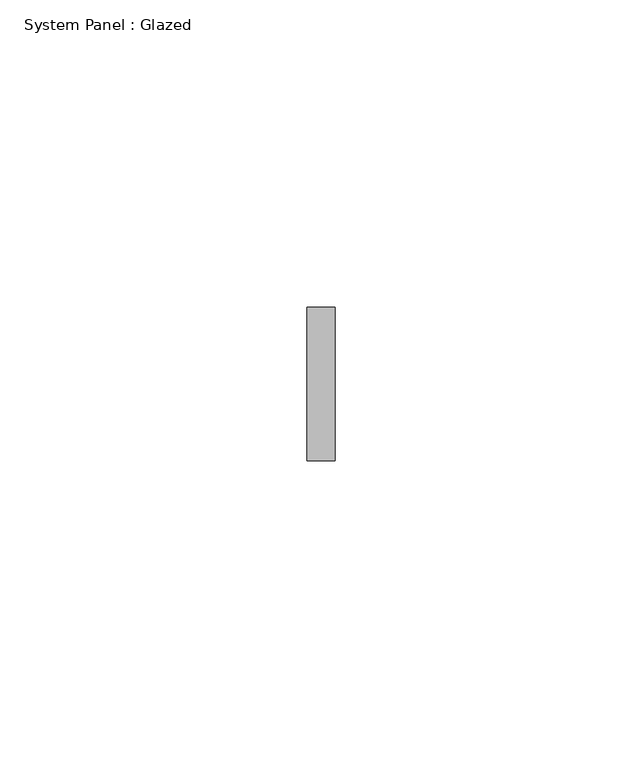
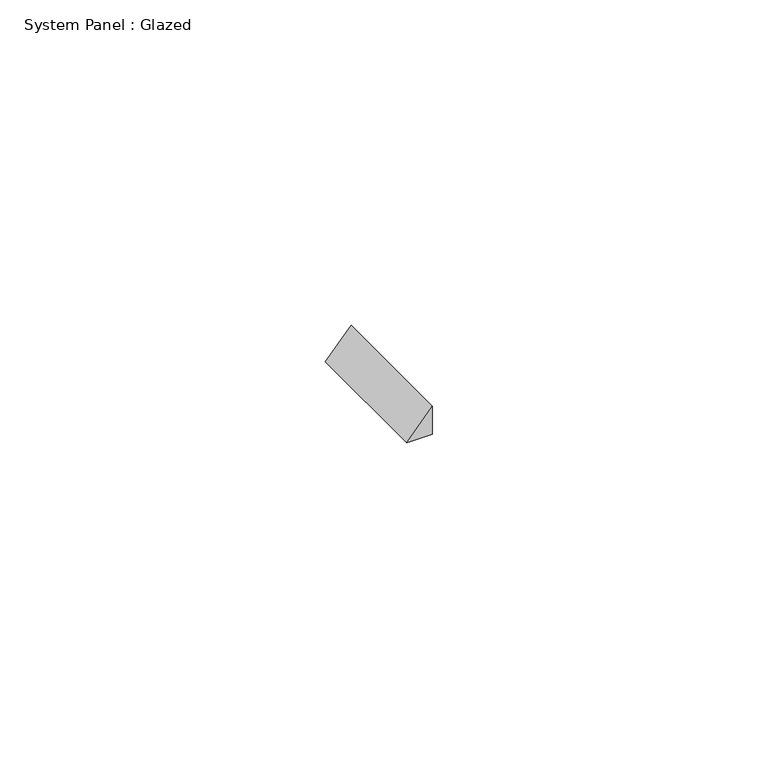
"""IFC4 building model written with IfcOpenShell, lengths in millimetres: plate geometry, System Panel : Glazed."""

from ifc_helpers import new_model, si_unit, frame, origin, place, context, project, spatial, polyline, outline, extrude, source, transform, mapped, element, save


def system_panel_glazed_df6254a5(model_context):
    return source(origin(), model_context, "Body", "SweptSolid", [
        extrude(outline(polyline([(0.0, -2.2821608), (0.0, 2.2821608), (5.2704246, 2.2821608), (0.0, -2.2821608)])), frame((0.0, 24.5, 0.0), z_axis=(0.0, 1.0, 0.0), x_axis=(0.0, 0.0, 1.0)), (0.0, 0.0, 1.0), 25.0),
    ])


if __name__ == "__main__":
    model = new_model("IFC4")
    model_context = context("Model", 3, world=origin())
    ifc_project = project(units=[si_unit("LENGTHUNIT", "METRE", prefix="MILLI")], contexts=[model_context])
    site = spatial("IfcSite", under=ifc_project)
    building = spatial("IfcBuilding", under=site)
    placement = place(None, origin())
    system_panel_glazed_shape = system_panel_glazed_df6254a5(model_context)
    element("IfcPlate", 1, ObjectType="System Panel : Glazed", at=placement, inside=building, context=model_context, shape_type="MappedRepresentation", body=[
        mapped(system_panel_glazed_shape, transform((0.0, 0.0, 0.0), x_axis=(1.0, 0.0, 0.0), y_axis=(0.0, 1.0, 0.0), z_axis=(0.0, 0.0, 1.0))),
    ])
    save(model, "model.ifc")
